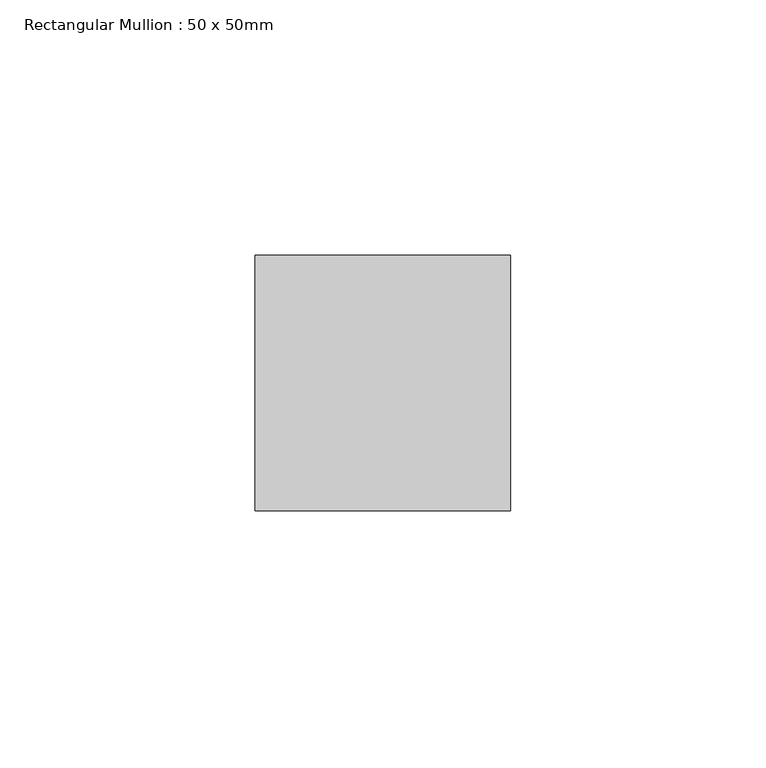
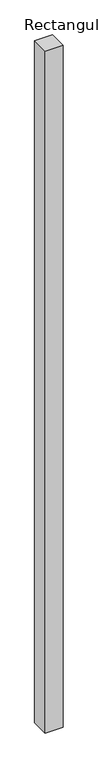
"""IFC4 building model written with IfcOpenShell, lengths in millimetres: member geometry, Rectangular Mullion : 50 x 50mm."""

from ifc_helpers import new_model, si_unit, frame, origin, place, context, project, spatial, polyline, outline, extrude, source, transform, mapped, element, save


def rectangular_mullion_50_x_50mm_66ce1c8e(model_context):
    return source(origin(), model_context, "Body", "SweptSolid", [
        extrude(outline(polyline([(0.0, 50.0), (0.0, 0.0), (-50.0, 0.0), (-50.0, 50.0), (0.0, 50.0)])), frame((0.0, 0.0, -1994.0), z_axis=(0.0, 0.0, 1.0), x_axis=(1.0, 0.0, 0.0)), (0.0, 0.0, 1.0), 1994.0),
    ])


if __name__ == "__main__":
    model = new_model("IFC4")
    model_context = context("Model", 3, world=origin())
    ifc_project = project(units=[si_unit("LENGTHUNIT", "METRE", prefix="MILLI")], contexts=[model_context])
    site = spatial("IfcSite", under=ifc_project)
    building = spatial("IfcBuilding", under=site)
    placement = place(None, origin())
    rectangular_mullion_50_x_50mm_shape = rectangular_mullion_50_x_50mm_66ce1c8e(model_context)
    element("IfcMember", 1, ObjectType="Rectangular Mullion : 50 x 50mm", at=placement, inside=building, context=model_context, shape_type="MappedRepresentation", body=[
        mapped(rectangular_mullion_50_x_50mm_shape, transform((0.0, 0.0, 0.0), x_axis=(1.0, 0.0, 0.0), y_axis=(0.0, 1.0, 0.0), z_axis=(0.0, 0.0, 1.0))),
    ])
    save(model, "model.ifc")
